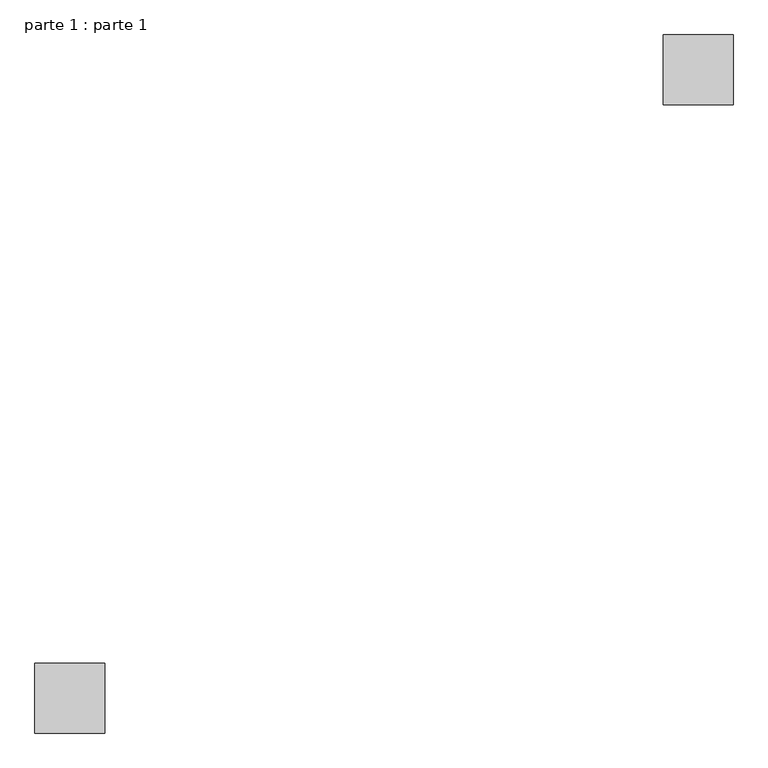
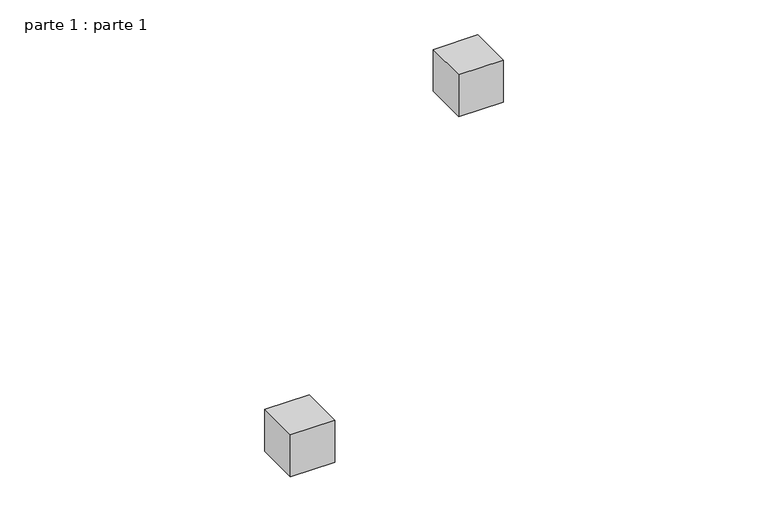
"""IFC4 building model written with IfcOpenShell, lengths in millimetres: proxy geometry, parte 1 : parte 1."""

from ifc_helpers import new_model, si_unit, frame, origin, place, context, project, spatial, polyline, outline, extrude, source, transform, mapped, element, save


def parte_1_parte_1_7aa91c7c(model_context):
    return source(origin(), model_context, "Body", "SweptSolid", [
        extrude(outline(polyline([(1000.0, 1000.0), (1000.0, 900.0), (900.0, 900.0), (900.0, 1000.0), (1000.0, 1000.0)])), frame((0.0, 0.0, 1000.0), z_axis=(0.0, 0.0, 1.0), x_axis=(1.0, 0.0, 0.0)), (0.0, 0.0, 1.0), 100.0),
        extrude(outline(polyline([(100.0, 0.0), (0.0, 0.0), (0.0, 100.0), (100.0, 100.0), (100.0, 0.0)])), frame((0.0, 0.0, 1000.0), z_axis=(0.0, 0.0, 1.0), x_axis=(1.0, 0.0, 0.0)), (0.0, 0.0, 1.0), 100.0),
    ])


if __name__ == "__main__":
    model = new_model("IFC4")
    model_context = context("Model", 3, world=origin())
    ifc_project = project(units=[si_unit("LENGTHUNIT", "METRE", prefix="MILLI")], contexts=[model_context])
    site = spatial("IfcSite", under=ifc_project)
    building = spatial("IfcBuilding", under=site)
    placement = place(None, origin())
    parte_1_parte_1_shape = parte_1_parte_1_7aa91c7c(model_context)
    element("IfcBuildingElementProxy", 1, Name="parte 1 : parte 1", ObjectType="parte 1 : parte 1", at=placement, inside=building, context=model_context, shape_type="MappedRepresentation", body=[
        mapped(parte_1_parte_1_shape, transform((0.0, 0.0, 0.0), x_axis=(1.0, 0.0, 0.0), y_axis=(0.0, 1.0, 0.0), z_axis=(0.0, 0.0, 1.0))),
    ])
    save(model, "model.ifc")
